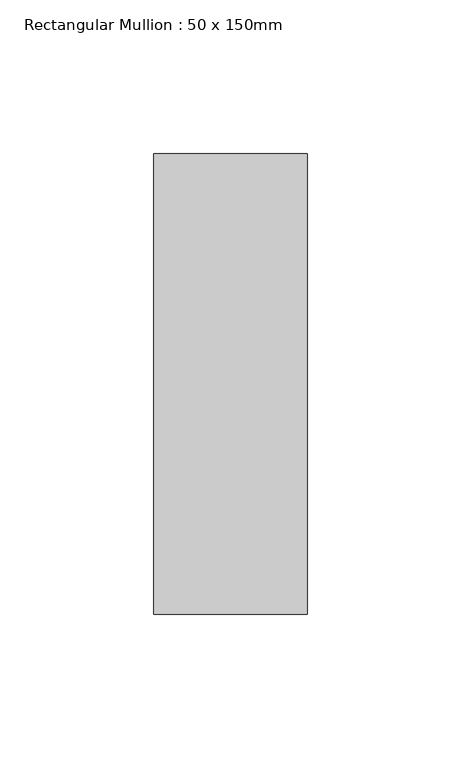
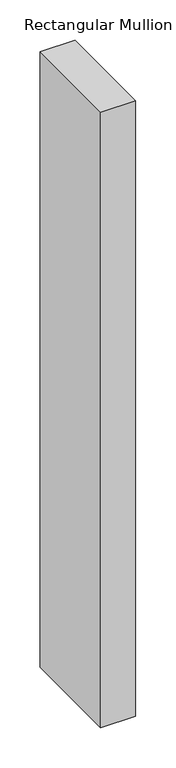
"""IFC4 building model written with IfcOpenShell, lengths in millimetres: member geometry, Rectangular Mullion : 50 x 150mm."""

from ifc_helpers import new_model, si_unit, frame, origin, place, context, project, spatial, polyline, outline, extrude, source, transform, mapped, element, save


def rectangular_mullion_50_x_150mm_cc8ecf57(model_context):
    return source(origin(), model_context, "Body", "SweptSolid", [
        extrude(outline(polyline([(0.0, 75.0), (0.0, -75.0), (-50.0, -75.0), (-50.0, 75.0), (0.0, 75.0)])), frame((0.0, 0.0, -930.0000002), z_axis=(0.0, 0.0, 1.0), x_axis=(1.0, 0.0, 0.0)), (0.0, 0.0, 1.0), 930.0000002),
    ])


if __name__ == "__main__":
    model = new_model("IFC4")
    model_context = context("Model", 3, world=origin())
    ifc_project = project(units=[si_unit("LENGTHUNIT", "METRE", prefix="MILLI")], contexts=[model_context])
    site = spatial("IfcSite", under=ifc_project)
    building = spatial("IfcBuilding", under=site)
    placement = place(None, origin())
    rectangular_mullion_50_x_150mm_shape = rectangular_mullion_50_x_150mm_cc8ecf57(model_context)
    element("IfcMember", 1, ObjectType="Rectangular Mullion : 50 x 150mm", at=placement, inside=building, context=model_context, shape_type="MappedRepresentation", body=[
        mapped(rectangular_mullion_50_x_150mm_shape, transform((0.0, 0.0, 0.0), x_axis=(1.0, 0.0, 0.0), y_axis=(0.0, 1.0, 0.0), z_axis=(0.0, 0.0, 1.0))),
    ])
    save(model, "model.ifc")
